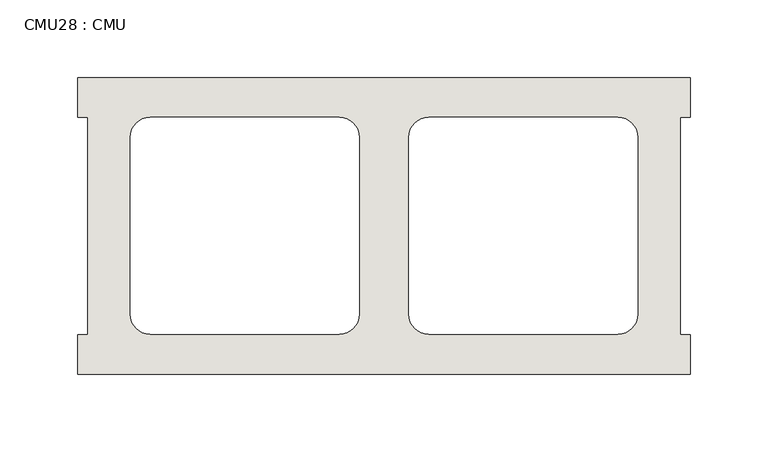
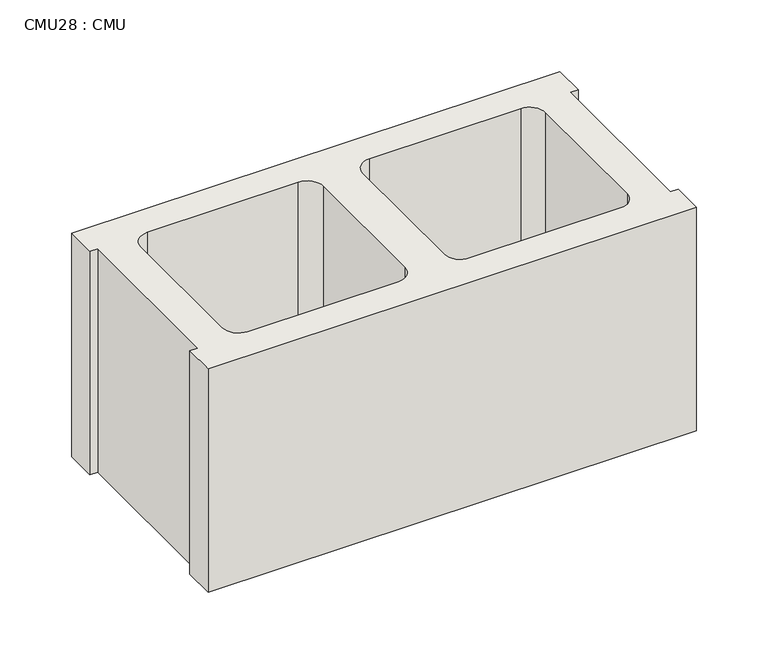
"""IFC4 building model written with IfcOpenShell, lengths in millimetres: wall geometry, CMU28 : CMU."""

from ifc_helpers import new_model, si_unit, point, frame, frame_2d, origin, place, context, project, spatial, polyline, circle_curve, trimmed, segment, composite_curve, outline, extrude, source, transform, mapped, element, save


def cmu28_cmu_8bb423a1(model_context):
    return source(origin(), model_context, "Body", "SweptSolid", [
        extrude(outline(polyline([(571.2060968, 2871.3003704), (964.9060968, 2871.3003704), (964.9060968, 2845.9003704), (958.5560968, 2845.9003704), (958.5560968, 2706.2003704), (964.9060968, 2706.2003704), (964.9060968, 2680.8003704), (571.2060968, 2680.8003704), (571.2060968, 2706.2003704), (577.5560968, 2706.2003704), (577.5560968, 2845.9003704), (571.2060968, 2845.9003704), (571.2060968, 2871.3003704)]), holes=[composite_curve([segment(polyline([(739.3740955, 2845.9003704), (617.6574454, 2845.9003704)]), True, "CONTINUOUS"), segment(trimmed(circle_curve(frame_2d((617.6574454, 2833.2003704)), 12.7), [point((617.6574454, 2845.9003704))], [point((604.9574454, 2833.2003704))], True, "CARTESIAN"), True, "CONTINUOUS"), segment(polyline([(604.9574454, 2833.2003704), (604.9574454, 2719.1345307)]), True, "CONTINUOUS"), segment(trimmed(circle_curve(frame_2d((617.6574454, 2719.1345307)), 12.7), [point((604.9574454, 2719.1345307))], [point((617.6574454, 2706.4345307))], True, "CARTESIAN"), True, "CONTINUOUS"), segment(polyline([(617.6574454, 2706.4345307), (739.3740955, 2706.4345307)]), True, "CONTINUOUS"), segment(trimmed(circle_curve(frame_2d((739.3740955, 2719.1345307)), 12.7), [point((739.3740955, 2706.4345307))], [point((752.0740955, 2719.1345307))], True, "CARTESIAN"), True, "CONTINUOUS"), segment(polyline([(752.0740955, 2719.1345307), (752.0740955, 2833.2003704)]), True, "CONTINUOUS"), segment(trimmed(circle_curve(frame_2d((739.3740955, 2833.2003704)), 12.7), [point((752.0740955, 2833.2003704))], [point((739.3740955, 2845.9003704))], True, "CARTESIAN"), True, "CONTINUOUS")], self_intersect=False), composite_curve([segment(trimmed(circle_curve(frame_2d((796.7380982, 2833.2003704)), 12.7), [point((796.7380982, 2845.9003704))], [point((784.0380982, 2833.2003704))], True, "CARTESIAN"), True, "CONTINUOUS"), segment(polyline([(784.0380982, 2833.2003704), (784.0380982, 2719.1345307)]), True, "CONTINUOUS"), segment(trimmed(circle_curve(frame_2d((796.7380982, 2719.1345307)), 12.7), [point((784.0380982, 2719.1345307))], [point((796.7380982, 2706.4345307))], True, "CARTESIAN"), True, "CONTINUOUS"), segment(polyline([(796.7380982, 2706.4345307), (918.4547483, 2706.4345307)]), True, "CONTINUOUS"), segment(trimmed(circle_curve(frame_2d((918.4547483, 2719.1345307)), 12.7), [point((918.4547483, 2706.4345307))], [point((931.1547483, 2719.1345307))], True, "CARTESIAN"), True, "CONTINUOUS"), segment(polyline([(931.1547483, 2719.1345307), (931.1547483, 2833.2003704)]), True, "CONTINUOUS"), segment(trimmed(circle_curve(frame_2d((918.4547483, 2833.2003704)), 12.7), [point((931.1547483, 2833.2003704))], [point((918.4547483, 2845.9003704))], True, "CARTESIAN"), True, "CONTINUOUS"), segment(polyline([(918.4547483, 2845.9003704), (796.7380982, 2845.9003704)]), True, "CONTINUOUS")], self_intersect=False)]), frame((0.0, 0.0, 406.4), z_axis=(0.0, 0.0, 1.0), x_axis=(1.0, 0.0, 0.0)), (0.0, 0.0, 1.0), 190.5),
    ])


if __name__ == "__main__":
    model = new_model("IFC4")
    model_context = context("Model", 3, world=origin())
    ifc_project = project(units=[si_unit("LENGTHUNIT", "METRE", prefix="MILLI")], contexts=[model_context])
    site = spatial("IfcSite", under=ifc_project)
    building = spatial("IfcBuilding", under=site)
    placement = place(None, origin())
    cmu28_cmu_shape = cmu28_cmu_8bb423a1(model_context)
    element("IfcWall", 1, ObjectType="CMU28 : CMU", at=placement, inside=building, context=model_context, shape_type="MappedRepresentation", body=[
        mapped(cmu28_cmu_shape, transform((0.0, 0.0, 0.0), x_axis=(1.0, 0.0, 0.0), y_axis=(0.0, 1.0, 0.0), z_axis=(0.0, 0.0, 1.0))),
    ])
    save(model, "model.ifc")
